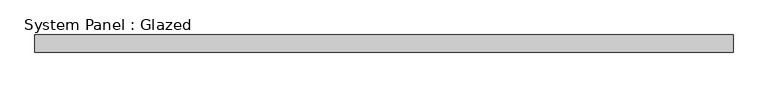
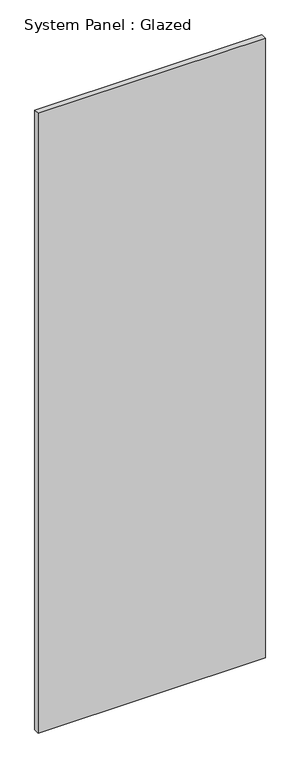
"""IFC4 building model written with IfcOpenShell, lengths in millimetres: plate geometry, System Panel : Glazed."""

from ifc_helpers import new_model, si_unit, origin, origin_with_axes, place, context, project, spatial, polyline, outline, extrude, source, transform, mapped, element, save


def system_panel_glazed_b79787e3(model_context):
    return source(origin(), model_context, "Body", "SweptSolid", [
        extrude(outline(polyline([(508.0, -12.7), (-508.0, -12.7), (-508.0, 12.7), (508.0, 12.7), (508.0, -12.7)])), origin_with_axes(), (0.0, 0.0, 1.0), 2927.35),
    ])


if __name__ == "__main__":
    model = new_model("IFC4")
    model_context = context("Model", 3, world=origin())
    ifc_project = project(units=[si_unit("LENGTHUNIT", "METRE", prefix="MILLI")], contexts=[model_context])
    site = spatial("IfcSite", under=ifc_project)
    building = spatial("IfcBuilding", under=site)
    placement = place(None, origin())
    system_panel_glazed_shape = system_panel_glazed_b79787e3(model_context)
    element("IfcPlate", 1, ObjectType="System Panel : Glazed", at=placement, inside=building, context=model_context, shape_type="MappedRepresentation", body=[
        mapped(system_panel_glazed_shape, transform((0.0, 0.0, 0.0), x_axis=(1.0, 0.0, 0.0), y_axis=(0.0, 1.0, 0.0), z_axis=(0.0, 0.0, 1.0))),
    ])
    save(model, "model.ifc")
